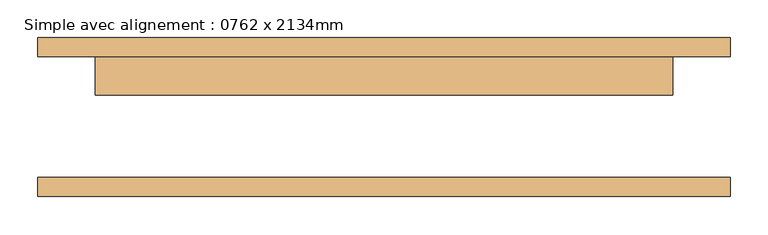
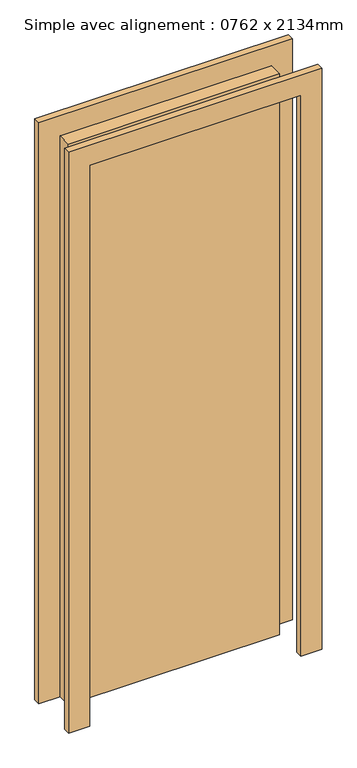
"""IFC4 building model written with IfcOpenShell, lengths in millimetres: door geometry, Simple avec alignement : 0762 x 2134mm."""

from ifc_helpers import new_model, si_unit, frame, origin, origin_with_axes, place, context, project, spatial, polyline, outline, extrude, source, transform, mapped, element, save


def simple_avec_alignement_0762_x_2134mm_89ae47f1(model_context):
    return source(origin(), model_context, "Body", "SweptSolid", [
        extrude(outline(polyline([(2210.0, -457.0), (0.0, -457.0), (0.0, -381.0), (2134.0, -381.0), (2134.0, 381.0), (0.0, 381.0), (0.0, 457.0), (2210.0, 457.0), (2210.0, -457.0)])), frame((0.0, 80.0, 0.0), z_axis=(0.0, 1.0, 0.0), x_axis=(0.0, 0.0, 1.0)), (0.0, 0.0, 1.0), 25.0),
        extrude(outline(polyline([(2210.0, 457.0), (2210.0, -457.0), (0.0, -457.0), (0.0, -381.0), (2134.0, -381.0), (2134.0, 381.0), (0.0, 381.0), (0.0, 457.0), (2210.0, 457.0)])), frame((0.0, -105.0, 0.0), z_axis=(0.0, 1.0, 0.0), x_axis=(0.0, 0.0, 1.0)), (0.0, 0.0, 1.0), 25.0),
        extrude(outline(polyline([(381.0, 29.0), (-381.0, 29.0), (-381.0, 80.0), (381.0, 80.0), (381.0, 29.0)])), origin_with_axes(), (0.0, 0.0, 1.0), 2134.0),
    ])


if __name__ == "__main__":
    model = new_model("IFC4")
    model_context = context("Model", 3, world=origin())
    ifc_project = project(units=[si_unit("LENGTHUNIT", "METRE", prefix="MILLI")], contexts=[model_context])
    site = spatial("IfcSite", under=ifc_project)
    building = spatial("IfcBuilding", under=site)
    placement = place(None, origin())
    simple_avec_alignement_0762_x_2134mm_shape = simple_avec_alignement_0762_x_2134mm_89ae47f1(model_context)
    element("IfcDoor", 1, ObjectType="Simple avec alignement : 0762 x 2134mm", at=placement, inside=building, context=model_context, shape_type="MappedRepresentation", body=[
        mapped(simple_avec_alignement_0762_x_2134mm_shape, transform((0.0, 0.0, 0.0), x_axis=(1.0, 0.0, 0.0), y_axis=(0.0, 1.0, 0.0), z_axis=(0.0, 0.0, 1.0))),
    ])
    save(model, "model.ifc")
